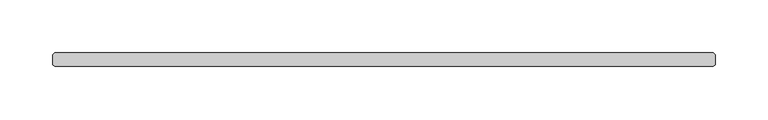
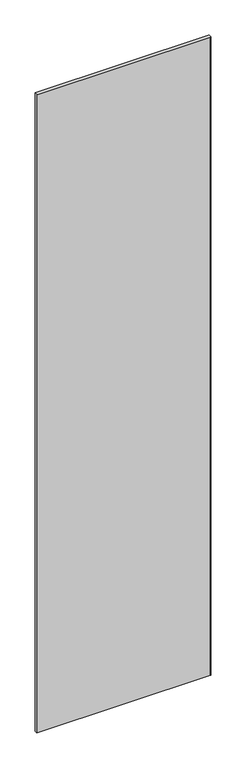
"""IFC4 building model written with IfcOpenShell, lengths in millimetres: plate geometry."""

from ifc_helpers import new_model, si_unit, origin, origin_with_axes, place, context, project, spatial, polyline, outline, extrude, source, transform, mapped, element, save


def plate_7367d0de(model_context):
    return source(origin(), model_context, "Body", "SweptSolid", [
        extrude(outline(polyline([(310.753125, -36.5125), (-310.753125, -36.5125), (-312.340625, -34.925), (-312.340625, -25.4), (-310.753125, -23.8125), (310.753125, -23.8125), (312.340625, -25.4), (312.340625, -34.925), (310.753125, -36.5125)])), origin_with_axes(), (0.0, 0.0, 1.0), 2417.075),
    ])


if __name__ == "__main__":
    model = new_model("IFC4")
    model_context = context("Model", 3, world=origin())
    ifc_project = project(units=[si_unit("LENGTHUNIT", "METRE", prefix="MILLI")], contexts=[model_context])
    site = spatial("IfcSite", under=ifc_project)
    building = spatial("IfcBuilding", under=site)
    placement = place(None, origin())
    plate_shape = plate_7367d0de(model_context)
    element("IfcPlate", 1, at=placement, inside=building, context=model_context, shape_type="MappedRepresentation", body=[
        mapped(plate_shape, transform((0.0, 0.0, 0.0), x_axis=(1.0, 0.0, 0.0), y_axis=(0.0, 1.0, 0.0), z_axis=(0.0, 0.0, 1.0))),
    ])
    save(model, "model.ifc")
